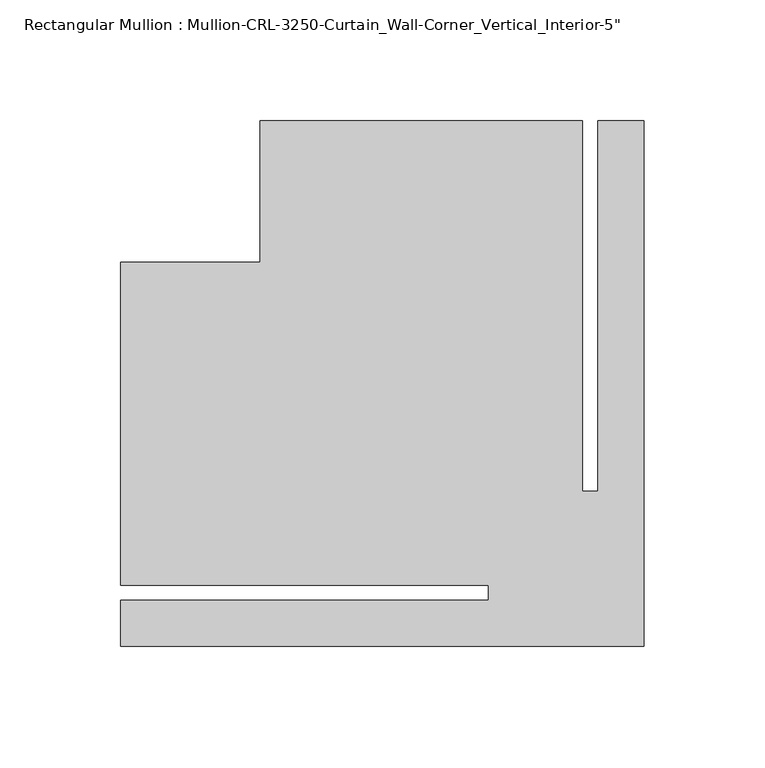
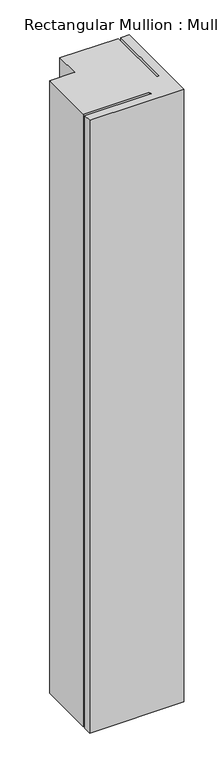
"""IFC4 building model written with IfcOpenShell, lengths in millimetres: member geometry."""

import ifcopenshell
import ifcopenshell.guid

model = None  # the IFC model being written
_history = None  # IfcOwnerHistory: only IFC2X3 demands one
_inside = {}  # id of a spatial element -> (the spatial element, [elements in it])
_under = {}  # id of a project, library or spatial element -> (it, [spatial elements below it])
_declared = {}  # id of a project -> (the project, [libraries it declares])
_typed = {}  # id of a type object -> (the type object, [elements of that type])
_made_of = {}  # id of a material, layer set ... -> (it, [elements and type objects made of it])


def new_model(schema):
    """Start an empty IFC model of exactly this schema.

    Asked for "IFC4X3", IfcOpenShell would pick the latest addendum, in which some entities
    have other attributes; the version numbers below select the first issue.
    IFC2X3 requires an IfcOwnerHistory on every rooted entity: one is made here for all.
    """
    global model, _history
    if schema == "IFC4X3":
        model = ifcopenshell.file(schema_version=(4, 3, 0, 0))
    else:
        model = ifcopenshell.file(schema=schema)
    _inside.clear()
    _under.clear()
    _declared.clear()
    _typed.clear()
    _made_of.clear()
    _history = None
    if model.schema == "IFC2X3":
        org = make("IfcOrganization", Name="unknown")
        user = make(
            "IfcPersonAndOrganization",
            ThePerson=make("IfcPerson", FamilyName="unknown"),
            TheOrganization=org,
        )
        app = make(
            "IfcApplication",
            ApplicationDeveloper=org,
            Version="unknown",
            ApplicationFullName="unknown",
            ApplicationIdentifier="unknown",
        )
        _history = make(
            "IfcOwnerHistory",
            OwningUser=user,
            OwningApplication=app,
            ChangeAction="ADDED",
            CreationDate=0,
        )
    return model


def make(cls, **values):
    """One entity of the class cls with the attributes given. An attribute that is None is left unset."""
    return model.create_entity(
        cls, **{name: value for name, value in values.items() if value is not None}
    )


def rooted(cls, **values):
    """An entity with a GlobalId (a new one), such as an element, a storey or a relation."""
    return make(cls, GlobalId=ifcopenshell.guid.new(), OwnerHistory=_history, **values)


def si_unit(unit_type, name, prefix=None):
    """IfcSIUnit, for example si_unit("LENGTHUNIT", "METRE", prefix="MILLI")."""
    return make("IfcSIUnit", UnitType=unit_type, Prefix=prefix, Name=name)


def assignment(units):
    """IfcUnitAssignment: the units of a project."""
    return None if units is None else make("IfcUnitAssignment", Units=units)


def point(xyz):
    """IfcCartesianPoint."""
    return None if xyz is None else make("IfcCartesianPoint", Coordinates=xyz)


def direction(xyz):
    """IfcDirection."""
    return None if xyz is None else make("IfcDirection", DirectionRatios=xyz)


def frame(location, z_axis=None, x_axis=None):
    """IfcAxis2Placement3D, a coordinate frame: its origin and axes. An axis left out is left unset."""
    return make(
        "IfcAxis2Placement3D",
        Location=point(location),
        Axis=direction(z_axis),
        RefDirection=direction(x_axis),
    )


def origin():
    """The frame at (0, 0, 0) with its axes left unset."""
    return frame((0.0, 0.0, 0.0))


def place(relative_to, where):
    """IfcLocalPlacement: puts the frame where relative to a parent placement (None: the world)."""
    return make(
        "IfcLocalPlacement", PlacementRelTo=relative_to, RelativePlacement=where
    )


def context(
    kind, dimensions, precision=None, world=None, true_north=None, identifier=None
):
    """IfcGeometricRepresentationContext, for example the 3D "Model" context."""
    return make(
        "IfcGeometricRepresentationContext",
        ContextIdentifier=identifier,
        ContextType=kind,
        CoordinateSpaceDimension=dimensions,
        Precision=precision,
        WorldCoordinateSystem=world,
        TrueNorth=true_north,
    )


def project(units=None, contexts=None):
    """IfcProject with its units and contexts."""
    return rooted(
        "IfcProject",
        Name="project",
        RepresentationContexts=contexts,
        UnitsInContext=assignment(units),
    )


def spatial(cls, under=None, at=None, **own):
    """A site, building, storey or space (cls), placed at a placement, below another one or the project."""
    s = rooted(cls, ObjectPlacement=at, **own)
    if under is not None:
        _under.setdefault(under.id(), (under, []))[1].append(s)
    return s


def polyline(points):
    """IfcPolyline through the points."""
    return make("IfcPolyline", Points=[point(p) for p in points])


def outline(outer, holes=None, kind="AREA"):
    """IfcArbitraryClosedProfileDef: a profile drawn as a closed curve; with holes, ...WithVoids."""
    if holes is None:
        return make("IfcArbitraryClosedProfileDef", ProfileType=kind, OuterCurve=outer)
    return make(
        "IfcArbitraryProfileDefWithVoids",
        ProfileType=kind,
        OuterCurve=outer,
        InnerCurves=holes,
    )


def extrude(swept, where, along, depth):
    """IfcExtrudedAreaSolid: the profile swept, set in the frame where, extruded along a direction by depth."""
    return make(
        "IfcExtrudedAreaSolid",
        SweptArea=swept,
        Position=where,
        ExtrudedDirection=direction(along),
        Depth=depth,
    )


def shape(context_of_items, identifier, shape_type, items):
    """IfcShapeRepresentation: the items that make up one representation, for example the "Body"."""
    return make(
        "IfcShapeRepresentation",
        ContextOfItems=context_of_items,
        RepresentationIdentifier=identifier,
        RepresentationType=shape_type,
        Items=items,
    )


def source(mapping_origin, context_of_items, identifier, shape_type, items):
    """IfcRepresentationMap: a shape defined once, which mapped items show again and again."""
    return make(
        "IfcRepresentationMap",
        MappingOrigin=mapping_origin,
        MappedRepresentation=shape(context_of_items, identifier, shape_type, items),
    )


def transform(
    local_origin,
    x_axis=None,
    y_axis=None,
    z_axis=None,
    scale=None,
    scale2=None,
    scale3=None,
    uniform=True,
):
    """IfcCartesianTransformationOperator3D, or its non-uniform kind. x_axis, y_axis, z_axis: its Axis1, 2, 3."""
    if uniform:
        return make(
            "IfcCartesianTransformationOperator3D",
            Axis1=direction(x_axis),
            Axis2=direction(y_axis),
            LocalOrigin=point(local_origin),
            Scale=scale,
            Axis3=direction(z_axis),
        )
    return make(
        "IfcCartesianTransformationOperator3DnonUniform",
        Axis1=direction(x_axis),
        Axis2=direction(y_axis),
        LocalOrigin=point(local_origin),
        Scale=scale,
        Axis3=direction(z_axis),
        Scale2=scale2,
        Scale3=scale3,
    )


def mapped(mapping_source, mapping_target):
    """IfcMappedItem: shows the shape of a source again, moved by a transform."""
    return make(
        "IfcMappedItem", MappingSource=mapping_source, MappingTarget=mapping_target
    )


def made_of(thing, what):
    """Note that an element or type object is made of a material, layer set ...; save() writes the relation."""
    if what is not None:
        _made_of.setdefault(what.id(), (what, []))[1].append(thing)
    return thing


def element(
    cls,
    number,
    at=None,
    inside=None,
    cuts=None,
    type_object=None,
    material=None,
    context=None,
    identifier="Body",
    shape_type=None,
    held_by="IfcProductDefinitionShape",
    body=None,
    shapes=None,
    **own,
):
    """One element of the class cls, such as IfcWall. Its Tag is "e" and its number.

    at: its placement. inside: the storey or other place that contains it. cuts: it is an
    opening in that element (IfcRelVoidsElement). A single representation is given by context,
    identifier, shape_type and body (its items); several are given by shapes. held_by: the class
    of the entity that holds the representations. save() writes the other relations.
    """
    e = rooted(cls, Tag="e%d" % number, ObjectPlacement=at, **own)
    if body is not None:
        shapes = [shape(context, identifier, shape_type, body)]
    if shapes is not None:
        e.Representation = make(held_by, Representations=shapes)
    if inside is not None:
        _inside.setdefault(inside.id(), (inside, []))[1].append(e)
    if cuts is not None:
        rooted(
            "IfcRelVoidsElement", RelatingBuildingElement=cuts, RelatedOpeningElement=e
        )
    if type_object is not None:
        _typed.setdefault(type_object.id(), (type_object, []))[1].append(e)
    return made_of(e, material)


def aggregate(whole, parts):
    """IfcRelAggregates: a whole, such as a stair, and the parts it consists of."""
    return rooted("IfcRelAggregates", RelatingObject=whole, RelatedObjects=parts)


def save(model, path):
    """Write the relations noted so far, then the file.

    IfcRelAggregates (storeys below a building ...), IfcRelContainedInSpatialStructure (elements
    in a storey), IfcRelDefinesByType, IfcRelAssociatesMaterial and IfcRelDeclares: one each for
    every whole, place, type object, material and project.
    """
    for whole, parts in _under.values():
        aggregate(whole, parts)
    for where, things in _inside.values():
        rooted(
            "IfcRelContainedInSpatialStructure",
            RelatedElements=things,
            RelatingStructure=where,
        )
    for kind, things in _typed.values():
        rooted("IfcRelDefinesByType", RelatedObjects=things, RelatingType=kind)
    for what, things in _made_of.values():
        rooted("IfcRelAssociatesMaterial", RelatedObjects=things, RelatingMaterial=what)
    for by, libraries in _declared.values():
        rooted("IfcRelDeclares", RelatingContext=by, RelatedDefinitions=libraries)
    model.write(path)


def member_095fbe47(model_context):
    return source(origin(), model_context, "Body", "SweptSolid", [
        extrude(outline(polyline([(0.0, 194.9823889), (0.0, -22.1804076), (-216.274668, -22.1804076), (-216.274668, -3.175), (-64.2269237, -3.175), (-64.2269237, 3.175), (-216.274668, 3.175), (-216.274668, 136.5997242), (-158.7785265, 136.5997242), (-158.7785265, 194.9823889), (-25.3711738, 194.9823889), (-25.3711738, 42.0465161), (-19.0211738, 42.0465161), (-19.0211738, 194.9823889), (0.0, 194.9823889)])), frame((0.0, 0.0, -1485.9), z_axis=(0.0, 0.0, 1.0), x_axis=(1.0, 0.0, 0.0)), (0.0, 0.0, 1.0), 1485.9),
    ])


if __name__ == "__main__":
    model = new_model("IFC4")
    model_context = context("Model", 3, world=origin())
    ifc_project = project(units=[si_unit("LENGTHUNIT", "METRE", prefix="MILLI")], contexts=[model_context])
    site = spatial("IfcSite", under=ifc_project)
    building = spatial("IfcBuilding", under=site)
    placement = place(None, origin())
    member_shape = member_095fbe47(model_context)
    element("IfcMember", 1, ObjectType="Rectangular Mullion : Mullion-CRL-3250-Curtain_Wall-Corner_Vertical_Interior-5\"", at=placement, inside=building, context=model_context, shape_type="MappedRepresentation", body=[
        mapped(member_shape, transform((0.0, 0.0, 0.0), x_axis=(1.0, 0.0, 0.0), y_axis=(0.0, 1.0, 0.0), z_axis=(0.0, 0.0, 1.0))),
    ])
    save(model, "model.ifc")
